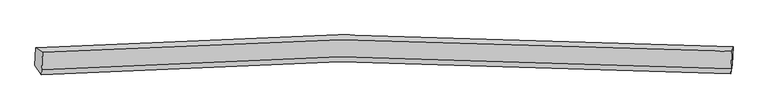
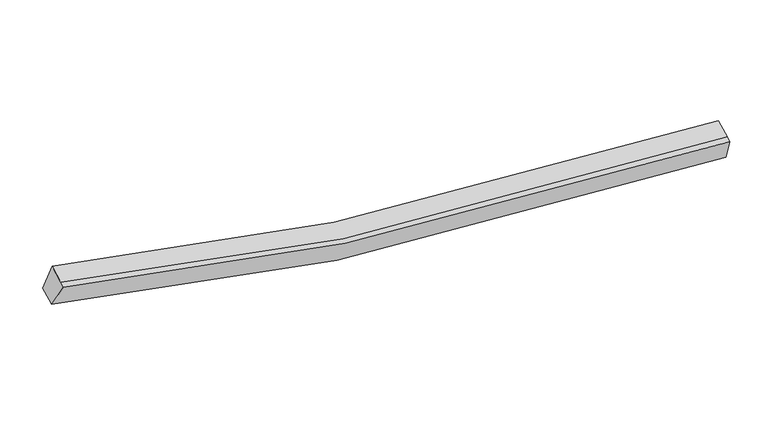
"""IFC4 building model written with IfcOpenShell, lengths in millimetres: proxy geometry."""

import ifcopenshell
import ifcopenshell.guid

model = None  # the IFC model being written
_history = None  # IfcOwnerHistory: only IFC2X3 demands one
_inside = {}  # id of a spatial element -> (the spatial element, [elements in it])
_under = {}  # id of a project, library or spatial element -> (it, [spatial elements below it])
_declared = {}  # id of a project -> (the project, [libraries it declares])
_typed = {}  # id of a type object -> (the type object, [elements of that type])
_made_of = {}  # id of a material, layer set ... -> (it, [elements and type objects made of it])


def new_model(schema):
    """Start an empty IFC model of exactly this schema.

    Asked for "IFC4X3", IfcOpenShell would pick the latest addendum, in which some entities
    have other attributes; the version numbers below select the first issue.
    IFC2X3 requires an IfcOwnerHistory on every rooted entity: one is made here for all.
    """
    global model, _history
    if schema == "IFC4X3":
        model = ifcopenshell.file(schema_version=(4, 3, 0, 0))
    else:
        model = ifcopenshell.file(schema=schema)
    _inside.clear()
    _under.clear()
    _declared.clear()
    _typed.clear()
    _made_of.clear()
    _history = None
    if model.schema == "IFC2X3":
        org = make("IfcOrganization", Name="unknown")
        user = make(
            "IfcPersonAndOrganization",
            ThePerson=make("IfcPerson", FamilyName="unknown"),
            TheOrganization=org,
        )
        app = make(
            "IfcApplication",
            ApplicationDeveloper=org,
            Version="unknown",
            ApplicationFullName="unknown",
            ApplicationIdentifier="unknown",
        )
        _history = make(
            "IfcOwnerHistory",
            OwningUser=user,
            OwningApplication=app,
            ChangeAction="ADDED",
            CreationDate=0,
        )
    return model


def make(cls, **values):
    """One entity of the class cls with the attributes given. An attribute that is None is left unset."""
    return model.create_entity(
        cls, **{name: value for name, value in values.items() if value is not None}
    )


def rooted(cls, **values):
    """An entity with a GlobalId (a new one), such as an element, a storey or a relation."""
    return make(cls, GlobalId=ifcopenshell.guid.new(), OwnerHistory=_history, **values)


def si_unit(unit_type, name, prefix=None):
    """IfcSIUnit, for example si_unit("LENGTHUNIT", "METRE", prefix="MILLI")."""
    return make("IfcSIUnit", UnitType=unit_type, Prefix=prefix, Name=name)


def assignment(units):
    """IfcUnitAssignment: the units of a project."""
    return None if units is None else make("IfcUnitAssignment", Units=units)


def point(xyz):
    """IfcCartesianPoint."""
    return None if xyz is None else make("IfcCartesianPoint", Coordinates=xyz)


def direction(xyz):
    """IfcDirection."""
    return None if xyz is None else make("IfcDirection", DirectionRatios=xyz)


def frame(location, z_axis=None, x_axis=None):
    """IfcAxis2Placement3D, a coordinate frame: its origin and axes. An axis left out is left unset."""
    return make(
        "IfcAxis2Placement3D",
        Location=point(location),
        Axis=direction(z_axis),
        RefDirection=direction(x_axis),
    )


def origin():
    """The frame at (0, 0, 0) with its axes left unset."""
    return frame((0.0, 0.0, 0.0))


def place(relative_to, where):
    """IfcLocalPlacement: puts the frame where relative to a parent placement (None: the world)."""
    return make(
        "IfcLocalPlacement", PlacementRelTo=relative_to, RelativePlacement=where
    )


def context(
    kind, dimensions, precision=None, world=None, true_north=None, identifier=None
):
    """IfcGeometricRepresentationContext, for example the 3D "Model" context."""
    return make(
        "IfcGeometricRepresentationContext",
        ContextIdentifier=identifier,
        ContextType=kind,
        CoordinateSpaceDimension=dimensions,
        Precision=precision,
        WorldCoordinateSystem=world,
        TrueNorth=true_north,
    )


def project(units=None, contexts=None):
    """IfcProject with its units and contexts."""
    return rooted(
        "IfcProject",
        Name="project",
        RepresentationContexts=contexts,
        UnitsInContext=assignment(units),
    )


def spatial(cls, under=None, at=None, **own):
    """A site, building, storey or space (cls), placed at a placement, below another one or the project."""
    s = rooted(cls, ObjectPlacement=at, **own)
    if under is not None:
        _under.setdefault(under.id(), (under, []))[1].append(s)
    return s


def shape(context_of_items, identifier, shape_type, items):
    """IfcShapeRepresentation: the items that make up one representation, for example the "Body"."""
    return make(
        "IfcShapeRepresentation",
        ContextOfItems=context_of_items,
        RepresentationIdentifier=identifier,
        RepresentationType=shape_type,
        Items=items,
    )


def source(mapping_origin, context_of_items, identifier, shape_type, items):
    """IfcRepresentationMap: a shape defined once, which mapped items show again and again."""
    return make(
        "IfcRepresentationMap",
        MappingOrigin=mapping_origin,
        MappedRepresentation=shape(context_of_items, identifier, shape_type, items),
    )


def transform(
    local_origin,
    x_axis=None,
    y_axis=None,
    z_axis=None,
    scale=None,
    scale2=None,
    scale3=None,
    uniform=True,
):
    """IfcCartesianTransformationOperator3D, or its non-uniform kind. x_axis, y_axis, z_axis: its Axis1, 2, 3."""
    if uniform:
        return make(
            "IfcCartesianTransformationOperator3D",
            Axis1=direction(x_axis),
            Axis2=direction(y_axis),
            LocalOrigin=point(local_origin),
            Scale=scale,
            Axis3=direction(z_axis),
        )
    return make(
        "IfcCartesianTransformationOperator3DnonUniform",
        Axis1=direction(x_axis),
        Axis2=direction(y_axis),
        LocalOrigin=point(local_origin),
        Scale=scale,
        Axis3=direction(z_axis),
        Scale2=scale2,
        Scale3=scale3,
    )


def mapped(mapping_source, mapping_target):
    """IfcMappedItem: shows the shape of a source again, moved by a transform."""
    return make(
        "IfcMappedItem", MappingSource=mapping_source, MappingTarget=mapping_target
    )


def made_of(thing, what):
    """Note that an element or type object is made of a material, layer set ...; save() writes the relation."""
    if what is not None:
        _made_of.setdefault(what.id(), (what, []))[1].append(thing)
    return thing


def element(
    cls,
    number,
    at=None,
    inside=None,
    cuts=None,
    type_object=None,
    material=None,
    context=None,
    identifier="Body",
    shape_type=None,
    held_by="IfcProductDefinitionShape",
    body=None,
    shapes=None,
    **own,
):
    """One element of the class cls, such as IfcWall. Its Tag is "e" and its number.

    at: its placement. inside: the storey or other place that contains it. cuts: it is an
    opening in that element (IfcRelVoidsElement). A single representation is given by context,
    identifier, shape_type and body (its items); several are given by shapes. held_by: the class
    of the entity that holds the representations. save() writes the other relations.
    """
    e = rooted(cls, Tag="e%d" % number, ObjectPlacement=at, **own)
    if body is not None:
        shapes = [shape(context, identifier, shape_type, body)]
    if shapes is not None:
        e.Representation = make(held_by, Representations=shapes)
    if inside is not None:
        _inside.setdefault(inside.id(), (inside, []))[1].append(e)
    if cuts is not None:
        rooted(
            "IfcRelVoidsElement", RelatingBuildingElement=cuts, RelatedOpeningElement=e
        )
    if type_object is not None:
        _typed.setdefault(type_object.id(), (type_object, []))[1].append(e)
    return made_of(e, material)


def aggregate(whole, parts):
    """IfcRelAggregates: a whole, such as a stair, and the parts it consists of."""
    return rooted("IfcRelAggregates", RelatingObject=whole, RelatedObjects=parts)


def save(model, path):
    """Write the relations noted so far, then the file.

    IfcRelAggregates (storeys below a building ...), IfcRelContainedInSpatialStructure (elements
    in a storey), IfcRelDefinesByType, IfcRelAssociatesMaterial and IfcRelDeclares: one each for
    every whole, place, type object, material and project.
    """
    for whole, parts in _under.values():
        aggregate(whole, parts)
    for where, things in _inside.values():
        rooted(
            "IfcRelContainedInSpatialStructure",
            RelatedElements=things,
            RelatingStructure=where,
        )
    for kind, things in _typed.values():
        rooted("IfcRelDefinesByType", RelatedObjects=things, RelatingType=kind)
    for what, things in _made_of.values():
        rooted("IfcRelAssociatesMaterial", RelatedObjects=things, RelatingMaterial=what)
    for by, libraries in _declared.values():
        rooted("IfcRelDeclares", RelatingContext=by, RelatedDefinitions=libraries)
    model.write(path)


def plane_surface(at):
    """IfcPlane: the flat surface through the origin of the frame at, square to its z axis."""
    return make("IfcPlane", Position=at)


def spline_curve(degree, points, multiplicities, knots, weights=None):
    """IfcBSplineCurveWithKnots; with weights, IfcRationalBSplineCurveWithKnots."""
    own = dict(
        Degree=degree,
        ControlPointsList=[point(p) for p in points],
        CurveForm="UNSPECIFIED",
        ClosedCurve=False,
        SelfIntersect=False,
        KnotMultiplicities=multiplicities,
        Knots=knots,
        KnotSpec="UNSPECIFIED",
    )
    if weights is None:
        return make("IfcBSplineCurveWithKnots", **own)
    return make("IfcRationalBSplineCurveWithKnots", WeightsData=weights, **own)


def spline_surface(u_degree, v_degree, points, u_multiplicities, v_multiplicities, u_knots, v_knots, weights=None):
    """IfcBSplineSurfaceWithKnots; with weights, IfcRationalBSplineSurfaceWithKnots. points: one row for each step in u."""
    own = dict(
        UDegree=u_degree,
        VDegree=v_degree,
        ControlPointsList=[[point(p) for p in row] for row in points],
        SurfaceForm="UNSPECIFIED",
        UClosed=False,
        VClosed=False,
        SelfIntersect=False,
        UMultiplicities=u_multiplicities,
        VMultiplicities=v_multiplicities,
        UKnots=u_knots,
        VKnots=v_knots,
        KnotSpec="UNSPECIFIED",
    )
    if weights is None:
        return make("IfcBSplineSurfaceWithKnots", **own)
    return make("IfcRationalBSplineSurfaceWithKnots", WeightsData=weights, **own)


def advanced_brep(points, edges, surfaces, faces):
    """IfcAdvancedBrep: a solid bounded by faces that lie on surfaces and meet in shared edges.

    An edge is (start, end): straight between two places in points (the first is 0);
    or (start, end, curve); or (start, end, curve, False) where it runs against its curve.
    A face is (place in surfaces, loops), or (place, loops, False) where it looks against
    its surface's normal. A loop lists edges by number (the first is 1), with a minus sign
    where the edge is run from its end to its start. The first loop is the outer one.
    """
    corners = [point(p) for p in points]
    vertices = [make("IfcVertexPoint", VertexGeometry=c) for c in corners]
    made = []
    for start, end, *more in edges:
        made.append(
            make(
                "IfcEdgeCurve",
                EdgeStart=vertices[start],
                EdgeEnd=vertices[end],
                EdgeGeometry=more[0] if more else make("IfcPolyline", Points=[corners[start], corners[end]]),
                SameSense=more[1] if len(more) > 1 else True,
            )
        )
    hull = []
    for where, loops, *sense in faces:
        bounds = []
        for j, loop in enumerate(loops):
            ring = [make("IfcOrientedEdge", EdgeElement=made[abs(k) - 1], Orientation=k > 0) for k in loop]
            bounds.append(
                make(
                    "IfcFaceOuterBound" if j == 0 else "IfcFaceBound",
                    Bound=make("IfcEdgeLoop", EdgeList=ring),
                    Orientation=True,
                )
            )
        hull.append(make("IfcAdvancedFace", Bounds=bounds, FaceSurface=surfaces[where], SameSense=sense[0] if sense else True))
    return make("IfcAdvancedBrep", Outer=make("IfcClosedShell", CfsFaces=hull))


def generic_models_567e87f5(model_context):
    return source(origin(), model_context, "Body", "AdvancedBrep", [
        advanced_brep(
        [(-8162.7743249, -1855.5133706, 4173.4180822), (-7989.4362451, -1973.0530208, 4803.7667918), (9739.0220225, -1949.6461906, 2662.7819558), (9770.7180253, -1832.8965305, 2009.6617255), (-8011.1810194, -2415.8513516, 4623.3390747), (9717.2772482, -2392.4445213, 2482.3542388), (-8017.5412505, -2545.3675148, 4570.5649245), (9710.917017, -2521.9606845, 2429.5800885), (-8184.666649, -2301.3163227, 3991.7660675), (9748.8257012, -2278.6994827, 1828.0097108)],
        [
            (0, 1),
            (1, 2, spline_curve(3, [(-7989.4362451, -1973.0530208, 4803.7667918), (-5452.969771769, -1780.28181681, 4058.31597546), (-2891.168306884, -1670.630823561, 3502.578771875), (3002.274880917, -1610.194254154, 2668.784621705), (6349.959504844, -1712.042969755, 2510.860214562), (9739.0220225, -1949.6461906, 2662.7819558)], [4, 2, 4], [0.0, 25.973694856727548, 59.167538133050414])),
            (2, 3),
            (3, 0, spline_curve(3, [(9770.7180253, -1832.8965305, 2009.6617255), (6342.511307254, -1592.806882779, 1856.355473485), (2956.132327466, -1489.783780673, 2016.061116553), (-3005.481141734, -1550.465721806, 2858.673184406), (-5596.932945526, -1661.027769418, 3420.219660731), (-8162.7743249, -1855.5133706, 4173.4180822)], [4, 2, 4], [0.0, 33.193843276322866, 59.167538133050414])),
            (1, 4),
            (4, 5, spline_curve(3, [(-8011.1810194, -2415.8513516, 4623.3390747), (-5474.714546623, -2223.080147383, 3877.888258606), (-2912.9130808, -2113.429154942, 3322.1510541), (2980.530106127, -2052.992584211, 2488.356905695), (6328.214730673, -2154.841300738, 2330.432496798), (9717.2772482, -2392.4445213, 2482.3542388)], [4, 2, 4], [0.0, 25.824683350272885, 58.82809301216743])),
            (5, 2),
            (4, 6),
            (6, 7, spline_curve(3, [(-8017.5412505, -2545.3675148, 4570.5649245), (-5481.074777723, -2352.596310583, 3825.114108406), (-2919.273312, -2242.945318142, 3269.3769038), (2974.169874927, -2182.508747411, 2435.582755395), (6321.854499473, -2284.357463938, 2277.658346498), (9710.917017, -2521.9606845, 2429.5800885)], [4, 2, 4], [0.0, 25.824683350272892, 58.82809301216744])),
            (7, 5),
            (6, 8),
            (8, 9, spline_curve(3, [(-8184.666649, -2301.3163227, 3991.7660675), (-5618.825269626, -2106.830721518, 3238.567646031), (-3027.373465834, -1996.268673906, 2677.021169606), (2934.240003366, -1935.586732773, 1834.409101753), (6320.618983154, -2038.609834979, 1674.703458785), (9748.8257012, -2278.6994827, 1828.0097108)], [4, 2, 4], [0.0, 25.973694856727537, 59.167538133050385])),
            (9, 7),
            (8, 0),
            (3, 9),
        ],
        [
            spline_surface(3, 3, [[(-8162.7743249, -1855.5133706, 4173.4180822), (-5596.932945231, -1661.027769751, 3420.219660804), (-3005.481141921, -1550.465721506, 2858.673184782), (2956.132327705, -1489.783781055, 2016.061116073), (6342.511307801, -1592.806882577, 1856.355473193), (9770.7180253, -1832.8965305, 2009.6617255)], [(-8104.994964958, -1894.693254018, 4383.534318713), (-5548.945220799, -1700.779118724, 3632.918432341), (-2967.376863511, -1590.52075561, 3073.308380375), (2971.513178636, -1529.920605329, 2233.635618121), (6344.994040015, -1632.55224503, 2074.523720156), (9760.152691023, -1871.813083843, 2227.368468927)], [(-8047.215605042, -1933.873137382, 4593.650555287), (-5500.957496393, -1740.530467645, 3845.617203939), (-2929.272585025, -1630.575789691, 3287.943575919), (2986.894029643, -1570.057429582, 2451.210120119), (6347.476772261, -1672.297607554, 2292.691967136), (9749.587356777, -1910.729637257, 2445.075212373)], [(-7989.4362451, -1973.0530208, 4803.7667918), (-5452.969771961, -1780.281816618, 4058.315975476), (-2891.168306615, -1670.630823794, 3502.578771512), (3002.274880574, -1610.194253856, 2668.784622168), (6349.959504475, -1712.042970007, 2510.860214099), (9739.0220225, -1949.6461906, 2662.7819558)]], [4, 4], [4, 2, 4], [0.0, 2.179218732375758], [0.0, 25.973694856727548, 59.167538133050414]),
            spline_surface(3, 3, [[(-7989.4362451, -1973.0530208, 4803.7667918), (-5452.969771961, -1780.281816618, 4058.315975476), (-2891.168306615, -1670.630823794, 3502.578771512), (3002.274880574, -1610.194253856, 2668.784622168), (6349.959504475, -1712.042970007, 2510.860214099), (9739.0220225, -1949.6461906, 2662.7819558)], [(-7996.684503204, -2120.652464387, 4743.624219454), (-5460.218030065, -1927.881260205, 3998.17340313), (-2898.416564719, -1818.230267381, 3442.436199167), (2995.02662247, -1757.793697442, 2608.642049822), (6342.711246371, -1859.642413593, 2450.717641754), (9731.773764396, -2097.245634187, 2602.639383454)], [(-8003.932761296, -2268.251908013, 4683.481647046), (-5467.466288157, -2075.480703832, 3938.030830721), (-2905.664822811, -1965.829711008, 3382.293626858), (2987.778364378, -1905.393141069, 2548.499477513), (6335.462988279, -2007.24185712, 2390.575069445), (9724.525506304, -2244.845077713, 2542.496811146)], [(-8011.1810194, -2415.8513516, 4623.3390747), (-5474.714546261, -2223.080147418, 3877.888258376), (-2912.913080915, -2113.429154594, 3322.151054512), (2980.530106274, -2052.992584656, 2488.356905168), (6328.214730175, -2154.841300707, 2330.432497099), (9717.2772482, -2392.4445213, 2482.3542388)]], [4, 4], [4, 2, 4], [0.0, 1.5703450061395177], [0.0, 25.824683350272885, 58.82809301216743]),
            spline_surface(3, 3, [[(-8011.1810194, -2415.8513516, 4623.3390747), (-5474.714546261, -2223.080147418, 3877.888258376), (-2912.913080915, -2113.429154594, 3322.151054512), (2980.530106274, -2052.992584656, 2488.356905168), (6328.214730175, -2154.841300707, 2330.432497099), (9717.2772482, -2392.4445213, 2482.3542388)], [(-8013.301096451, -2459.023405993, 4605.747691281), (-5476.834623312, -2266.252201811, 3860.296874956), (-2915.033157966, -2156.601208987, 3304.559671093), (2978.410029223, -2096.164639048, 2470.765521748), (6326.094653124, -2198.013355099, 2312.84111368), (9715.157171149, -2435.616575693, 2464.762855381)], [(-8015.421173449, -2502.195460407, 4588.156307919), (-5478.954700309, -2309.424256226, 3842.705491595), (-2917.153235064, -2199.773263402, 3286.968287632), (2976.289952125, -2139.336693463, 2453.174138287), (6323.974576026, -2241.185409514, 2295.249730218), (9713.037094051, -2478.788630107, 2447.171471919)], [(-8017.5412505, -2545.3675148, 4570.5649245), (-5481.074777361, -2352.596310618, 3825.114108176), (-2919.273312115, -2242.945317794, 3269.376904212), (2974.169875074, -2182.508747856, 2435.582754868), (6321.854498975, -2284.357463907, 2277.658346799), (9710.917017, -2521.9606845, 2429.5800885)]], [4, 4], [4, 2, 4], [0.0, 0.4593175853018391], [0.0, 25.824683350272892, 58.82809301216744]),
            spline_surface(3, 3, [[(-8017.5412505, -2545.3675148, 4570.5649245), (-5481.074777361, -2352.596310618, 3825.114108176), (-2919.273312115, -2242.945317794, 3269.376904212), (2974.169875074, -2182.508747856, 2435.582754868), (6321.854498975, -2284.357463907, 2277.658346799), (9710.917017, -2521.9606845, 2429.5800885)], [(-8073.249716664, -2464.01711745, 4377.631972174), (-5526.991608015, -2270.674447712, 3629.598620826), (-2955.306696747, -2160.719769758, 3071.924992806), (2960.859917921, -2100.201409649, 2235.191537007), (6321.442660539, -2202.441587521, 2076.673384024), (9723.553245055, -2440.873617224, 2229.05662926)], [(-8128.958182836, -2382.66672005, 4184.699019826), (-5572.908438677, -2188.752584757, 3434.083133453), (-2991.340081389, -2078.494221642, 2874.473081388), (2947.549960758, -2017.894071362, 2034.800319134), (6321.030822137, -2120.525711162, 1875.688421268), (9736.189473145, -2359.786549976, 2028.53317004)], [(-8184.666649, -2301.3163227, 3991.7660675), (-5618.825269331, -2106.83072185, 3238.567646104), (-3027.373466021, -1996.268673606, 2677.021169982), (2934.240003605, -1935.586733155, 1834.409101273), (6320.618983701, -2038.609834777, 1674.703458493), (9748.8257012, -2278.6994827, 1828.0097108)]], [4, 4], [4, 2, 4], [0.0, 2.1325329369852066], [0.0, 25.973694856727537, 59.167538133050385]),
            spline_surface(3, 3, [[(-8184.666649, -2301.3163227, 3991.7660675), (-5618.825269331, -2106.83072185, 3238.567646104), (-3027.373466021, -1996.268673606, 2677.021169982), (2934.240003605, -1935.586733155, 1834.409101273), (6320.618983701, -2038.609834777, 1674.703458493), (9748.8257012, -2278.6994827, 1828.0097108)], [(-8177.369207623, -2152.715338654, 4052.316739078), (-5611.527827954, -1958.229737804, 3299.118317681), (-3020.076024643, -1847.66768956, 2737.571841559), (2941.537444982, -1786.985749109, 1894.959772851), (6327.916425079, -1890.00885073, 1735.25413007), (9756.123142577, -2130.098498654, 1888.560382378)], [(-8170.071766277, -2004.114354646, 4112.867410622), (-5604.230386608, -1809.628753797, 3359.668989226), (-3012.778583298, -1699.066705553, 2798.122513204), (2948.834886327, -1638.384765101, 1955.510444495), (6335.213866424, -1741.407866623, 1795.804801615), (9763.420583923, -1981.497514546, 1949.111053922)], [(-8162.7743249, -1855.5133706, 4173.4180822), (-5596.932945231, -1661.027769751, 3420.219660804), (-3005.481141921, -1550.465721506, 2858.673184782), (2956.132327705, -1489.783781055, 2016.061116073), (6342.511307801, -1592.806882577, 1856.355473193), (9770.7180253, -1832.8965305, 2009.6617255)]], [4, 4], [4, 2, 4], [0.0, 1.5810006293688956], [0.0, 26.12270656636722, 59.50698371678463]),
            plane_surface(frame((9742.3706915, -2145.8007221, 2232.5083702), z_axis=(0.9972636309968714, -0.06402994782217783, 0.03695153681276779), x_axis=(0.0583210525634181, 0.37424800281004394, -0.9254928888006587))),
            plane_surface(frame((-8088.6046174, -2168.8125572, 4384.8789665), z_axis=(-0.965312104253188, -0.056468201868998126, 0.2549193667808792), x_axis=(-0.045430222526705345, -0.9251154512678766, -0.3769582161282696))),
        ],
        [
            (0, [[1, 2, 3, 4]]),
            (1, [[5, 6, 7, -2]]),
            (2, [[8, 9, 10, -6]]),
            (3, [[11, 12, 13, -9]]),
            (4, [[14, -4, 15, -12]]),
            (5, [[-13, -15, -3, -7, -10]]),
            (6, [[-14, -11, -8, -5, -1]]),
        ],
    ),
    ])


if __name__ == "__main__":
    model = new_model("IFC4")
    model_context = context("Model", 3, world=origin())
    ifc_project = project(units=[si_unit("LENGTHUNIT", "METRE", prefix="MILLI")], contexts=[model_context])
    site = spatial("IfcSite", under=ifc_project)
    building = spatial("IfcBuilding", under=site)
    placement = place(None, origin())
    generic_models_shape = generic_models_567e87f5(model_context)
    element("IfcBuildingElementProxy", 1, Name="Generic Models", at=placement, inside=building, context=model_context, shape_type="MappedRepresentation", body=[
        mapped(generic_models_shape, transform((0.0, 0.0, 0.0), x_axis=(1.0, 0.0, 0.0), y_axis=(0.0, 1.0, 0.0), z_axis=(0.0, 0.0, 1.0))),
    ])
    save(model, "model.ifc")
